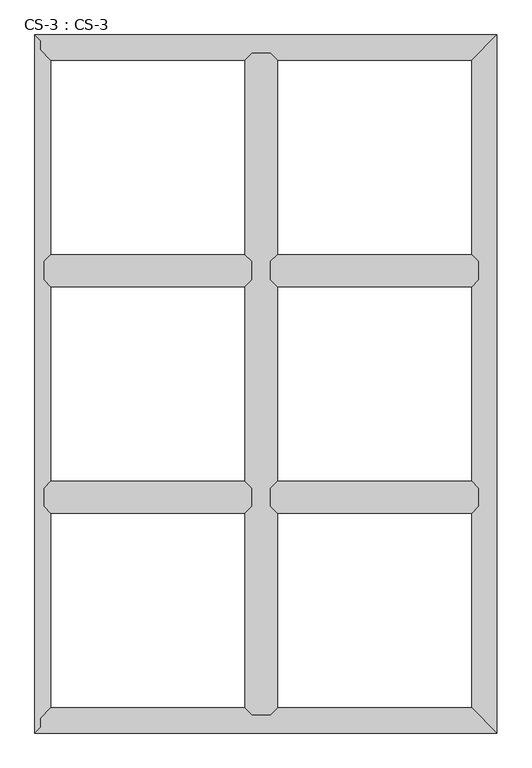
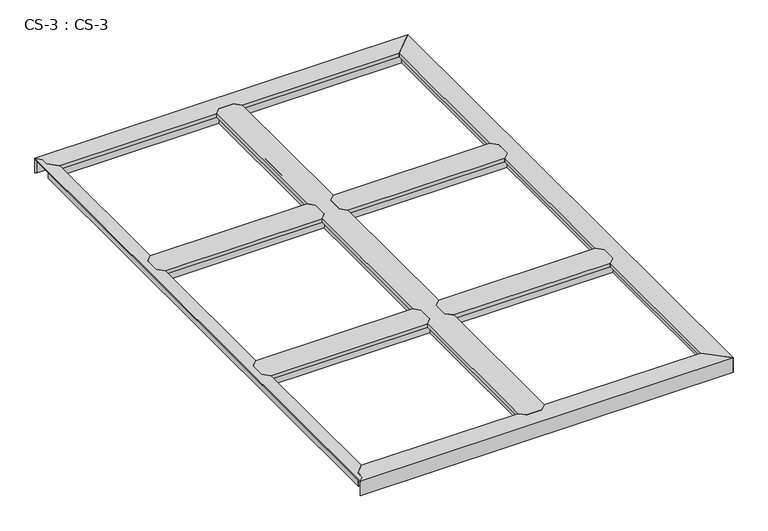
"""IFC4 building model written with IfcOpenShell, lengths in millimetres: proxy geometry, CS-3 : CS-3."""

from ifc_helpers import new_model, si_unit, origin, place, context, project, spatial, faceted_brep, source, transform, mapped, element, save


def cs_3_cs_3_9a12c263(model_context):
    return source(origin(), model_context, "Body", "Brep", [
        faceted_brep([(1592.58, 1625.6, 46.355), (1592.58, 1625.6, 0.0), (1592.58, 1632.585, 0.0), (1592.58, 1632.585, 63.5), (1592.58, 1684.655, 63.5), (1592.58, 1684.655, 0.0), (1592.58, 1691.64, 0.0), (1592.58, 1691.64, 46.355), (1592.58, 1691.64, 66.675), (1592.58, 1625.6, 66.675), (845.82, 1691.64, 46.355), (845.82, 1691.64, 0.0), (845.82, 1684.655, 0.0), (845.82, 1684.655, 63.5), (845.82, 1632.585, 63.5), (845.82, 1632.585, 0.0), (845.82, 1625.6, 0.0), (845.82, 1625.6, 46.355), (845.82, 1625.6, 66.675), (845.82, 1691.64, 66.675), (870.458, 1716.278, 66.675), (1567.942, 1716.278, 66.675), (1567.942, 1716.278, 49.8094), (870.458, 1716.278, 49.8094), (1569.466, 1714.754, 49.8094), (868.934, 1714.754, 49.8094), (1569.466, 1714.754, 64.643), (868.934, 1714.754, 64.643), (1579.753, 1704.467, 64.643), (858.647, 1704.467, 64.643), (1579.753, 1704.467, 46.355), (858.647, 1704.467, 46.355), (1579.753, 1612.773, 46.355), (858.647, 1612.773, 46.355), (1579.753, 1612.773, 64.643), (858.647, 1612.773, 64.643), (1569.466, 1602.486, 64.643), (868.934, 1602.486, 64.643), (1569.466, 1602.486, 49.8094), (868.934, 1602.486, 49.8094), (1567.942, 1600.962, 49.8094), (870.458, 1600.962, 49.8094), (1567.942, 1600.962, 66.675), (870.458, 1600.962, 66.675)], [[[0, 1, 2, 3, 4, 5, 6, 7, 8, 9]], [[10, 11, 12, 13, 14, 15, 16, 17, 18, 19]], [[20, 21, 22, 23]], [[23, 22, 24, 25]], [[25, 24, 26, 27]], [[27, 26, 28, 29]], [[29, 28, 30, 31]], [[7, 10, 31, 30]], [[7, 6, 11, 10]], [[6, 5, 12, 11]], [[5, 4, 13, 12]], [[4, 3, 14, 13]], [[3, 2, 15, 14]], [[2, 1, 16, 15]], [[1, 0, 17, 16]], [[17, 0, 32, 33]], [[33, 32, 34, 35]], [[35, 34, 36, 37]], [[37, 36, 38, 39]], [[39, 38, 40, 41]], [[41, 40, 42, 43]], [[9, 8, 21, 20, 19, 18, 43, 42]], [[10, 19, 20, 23, 25, 27, 29, 31]], [[18, 17, 33, 35, 37, 39, 41, 43]], [[0, 9, 42, 40, 38, 36, 34, 32]], [[8, 7, 30, 28, 26, 24, 22, 21]]]),
        faceted_brep([(1592.58, 812.8, 46.355), (1592.58, 812.8, 0.0), (1592.58, 819.785, 0.0), (1592.58, 819.785, 63.5), (1592.58, 871.855, 63.5), (1592.58, 871.855, 0.0), (1592.58, 878.84, 0.0), (1592.58, 878.84, 46.355), (1592.58, 878.84, 66.675), (1592.58, 812.8, 66.675), (845.82, 878.84, 46.355), (845.82, 878.84, 0.0), (845.82, 871.855, 0.0), (845.82, 871.855, 63.5), (845.82, 819.785, 63.5), (845.82, 819.785, 0.0), (845.82, 812.8, 0.0), (845.82, 812.8, 46.355), (845.82, 812.8, 66.675), (845.82, 878.84, 66.675), (870.458, 903.478, 66.675), (1567.942, 903.478, 66.675), (1567.942, 903.478, 49.8094), (870.458, 903.478, 49.8094), (1569.466, 901.954, 49.8094), (868.934, 901.954, 49.8094), (1569.466, 901.954, 64.643), (868.934, 901.954, 64.643), (1579.753, 891.667, 64.643), (858.647, 891.667, 64.643), (1579.753, 891.667, 46.355), (858.647, 891.667, 46.355), (1579.753, 799.973, 46.355), (858.647, 799.973, 46.355), (1579.753, 799.973, 64.643), (858.647, 799.973, 64.643), (1569.466, 789.686, 64.643), (868.934, 789.686, 64.643), (1569.466, 789.686, 49.8094), (868.934, 789.686, 49.8094), (1567.942, 788.162, 49.8094), (870.458, 788.162, 49.8094), (1567.942, 788.162, 66.675), (870.458, 788.162, 66.675)], [[[0, 1, 2, 3, 4, 5, 6, 7, 8, 9]], [[10, 11, 12, 13, 14, 15, 16, 17, 18, 19]], [[20, 21, 22, 23]], [[23, 22, 24, 25]], [[25, 24, 26, 27]], [[27, 26, 28, 29]], [[29, 28, 30, 31]], [[7, 10, 31, 30]], [[7, 6, 11, 10]], [[6, 5, 12, 11]], [[5, 4, 13, 12]], [[4, 3, 14, 13]], [[3, 2, 15, 14]], [[2, 1, 16, 15]], [[1, 0, 17, 16]], [[17, 0, 32, 33]], [[33, 32, 34, 35]], [[35, 34, 36, 37]], [[37, 36, 38, 39]], [[39, 38, 40, 41]], [[41, 40, 42, 43]], [[9, 8, 21, 20, 19, 18, 43, 42]], [[10, 19, 20, 23, 25, 27, 29, 31]], [[18, 17, 33, 35, 37, 39, 41, 43]], [[0, 9, 42, 40, 38, 36, 34, 32]], [[8, 7, 30, 28, 26, 24, 22, 21]]]),
        faceted_brep([(845.82, 2438.4, 46.355), (845.82, 2438.4, 0.0), (838.835, 2438.4, 0.0), (838.835, 2438.4, 63.5), (786.765, 2438.4, 63.5), (786.765, 2438.4, 0.0), (779.78, 2438.4, 0.0), (779.78, 2438.4, 46.355), (779.78, 2438.4, 66.675), (845.82, 2438.4, 66.675), (779.78, 66.04, 46.355), (779.78, 66.04, 0.0), (786.765, 66.04, 0.0), (786.765, 66.04, 63.5), (838.835, 66.04, 63.5), (838.835, 66.04, 0.0), (845.82, 66.04, 0.0), (845.82, 66.04, 46.355), (845.82, 66.04, 66.675), (779.78, 66.04, 66.675), (755.142, 90.678, 49.8094), (755.142, 90.678, 66.675), (755.142, 788.162, 66.675), (755.142, 788.162, 49.8094), (755.142, 2413.762, 66.675), (755.142, 2413.762, 49.8094), (755.142, 1716.278, 49.8094), (755.142, 1716.278, 66.675), (755.142, 903.478, 49.8094), (755.142, 903.478, 66.675), (755.142, 1600.962, 66.675), (755.142, 1600.962, 49.8094), (756.666, 89.154, 49.8094), (756.666, 789.686, 49.8094), (756.666, 2415.286, 49.8094), (756.666, 1714.754, 49.8094), (756.666, 901.954, 49.8094), (756.666, 1602.486, 49.8094), (756.666, 89.154, 64.643), (756.666, 789.686, 64.643), (756.666, 2415.286, 64.643), (756.666, 1714.754, 64.643), (756.666, 901.954, 64.643), (756.666, 1602.486, 64.643), (766.953, 78.867, 64.643), (766.953, 799.973, 64.643), (766.953, 2425.573, 64.643), (766.953, 1704.467, 64.643), (766.953, 891.667, 64.643), (766.953, 1612.773, 64.643), (766.953, 78.867, 46.355), (766.953, 799.973, 46.355), (766.953, 2425.573, 46.355), (766.953, 1704.467, 46.355), (766.953, 891.667, 46.355), (766.953, 1612.773, 46.355), (779.78, 812.8, 46.355), (779.78, 1691.64, 46.355), (779.78, 878.84, 46.355), (779.78, 1625.6, 46.355), (779.78, 812.8, 66.675), (779.78, 878.84, 66.675), (779.78, 1625.6, 66.675), (779.78, 1691.64, 66.675), (845.82, 1691.64, 46.355), (845.82, 1691.64, 66.675), (845.82, 1625.6, 66.675), (845.82, 1625.6, 46.355), (845.82, 878.84, 46.355), (845.82, 878.84, 66.675), (845.82, 812.8, 66.675), (845.82, 812.8, 46.355), (858.647, 78.867, 46.355), (858.647, 799.973, 46.355), (858.647, 2425.573, 46.355), (858.647, 1704.467, 46.355), (858.647, 891.667, 46.355), (858.647, 1612.773, 46.355), (858.647, 78.867, 64.643), (858.647, 799.973, 64.643), (858.647, 2425.573, 64.643), (858.647, 1704.467, 64.643), (858.647, 891.667, 64.643), (858.647, 1612.773, 64.643), (868.934, 89.154, 64.643), (868.934, 789.686, 64.643), (868.934, 2415.286, 64.643), (868.934, 1714.754, 64.643), (868.934, 901.954, 64.643), (868.934, 1602.486, 64.643), (868.934, 89.154, 49.8094), (868.934, 789.686, 49.8094), (868.934, 2415.286, 49.8094), (868.934, 1714.754, 49.8094), (868.934, 901.954, 49.8094), (868.934, 1602.486, 49.8094), (870.458, 90.678, 49.8094), (870.458, 788.162, 49.8094), (870.458, 2413.762, 49.8094), (870.458, 1716.278, 49.8094), (870.458, 903.478, 49.8094), (870.458, 1600.962, 49.8094), (870.458, 90.678, 66.675), (870.458, 788.162, 66.675), (870.458, 2413.762, 66.675), (870.458, 1716.278, 66.675), (870.458, 903.478, 66.675), (870.458, 1600.962, 66.675)], [[[0, 1, 2, 3, 4, 5, 6, 7, 8, 9]], [[10, 11, 12, 13, 14, 15, 16, 17, 18, 19]], [[20, 21, 22, 23]], [[24, 25, 26, 27]], [[28, 29, 30, 31]], [[32, 20, 23, 33]], [[25, 34, 35, 26]], [[36, 28, 31, 37]], [[38, 32, 33, 39]], [[34, 40, 41, 35]], [[42, 36, 37, 43]], [[44, 38, 39, 45]], [[40, 46, 47, 41]], [[48, 42, 43, 49]], [[50, 44, 45, 51]], [[46, 52, 53, 47]], [[54, 48, 49, 55]], [[10, 50, 51, 56]], [[52, 7, 57, 53]], [[58, 54, 55, 59]], [[7, 6, 11, 10, 56, 60, 61, 58, 59, 62, 63, 57]], [[6, 5, 12, 11]], [[5, 4, 13, 12]], [[4, 3, 14, 13]], [[3, 2, 15, 14]], [[2, 1, 16, 15]], [[1, 0, 64, 65, 66, 67, 68, 69, 70, 71, 17, 16]], [[72, 17, 71, 73]], [[0, 74, 75, 64]], [[76, 68, 67, 77]], [[78, 72, 73, 79]], [[74, 80, 81, 75]], [[82, 76, 77, 83]], [[84, 78, 79, 85]], [[80, 86, 87, 81]], [[88, 82, 83, 89]], [[90, 84, 85, 91]], [[86, 92, 93, 87]], [[94, 88, 89, 95]], [[96, 90, 91, 97]], [[92, 98, 99, 93]], [[100, 94, 95, 101]], [[102, 96, 97, 103]], [[98, 104, 105, 99]], [[106, 100, 101, 107]], [[9, 8, 24, 27, 63, 62, 30, 29, 61, 60, 22, 21, 19, 18, 102, 103, 70, 69, 106, 107, 66, 65, 105, 104]], [[10, 19, 21, 20, 32, 38, 44, 50]], [[18, 17, 72, 78, 84, 90, 96, 102]], [[0, 9, 104, 98, 92, 86, 80, 74]], [[8, 7, 52, 46, 40, 34, 25, 24]], [[60, 56, 51, 45, 39, 33, 23, 22]], [[58, 61, 29, 28, 36, 42, 48, 54]], [[62, 59, 55, 49, 43, 37, 31, 30]], [[57, 63, 27, 26, 35, 41, 47, 53]], [[69, 68, 76, 82, 88, 94, 100, 106]], [[71, 70, 103, 97, 91, 85, 79, 73]], [[65, 64, 75, 81, 87, 93, 99, 105]], [[67, 66, 107, 101, 95, 89, 83, 77]]]),
        faceted_brep([(779.78, 812.8, 46.355), (779.78, 812.8, 0.0), (779.78, 819.785, 0.0), (779.78, 819.785, 63.5), (779.78, 871.855, 63.5), (779.78, 871.855, 0.0), (779.78, 878.84, 0.0), (779.78, 878.84, 46.355), (779.78, 878.84, 66.675), (779.78, 812.8, 66.675), (33.02, 878.84, 46.355), (33.02, 878.84, 0.0), (33.02, 871.855, 0.0), (33.02, 871.855, 63.5), (33.02, 819.785, 63.5), (33.02, 819.785, 0.0), (33.02, 812.8, 0.0), (33.02, 812.8, 46.355), (33.02, 812.8, 66.675), (33.02, 878.84, 66.675), (57.658, 903.478, 66.675), (755.142, 903.478, 66.675), (755.142, 903.478, 49.8094), (57.658, 903.478, 49.8094), (756.666, 901.954, 49.8094), (56.134, 901.954, 49.8094), (756.666, 901.954, 64.643), (56.134, 901.954, 64.643), (766.953, 891.667, 64.643), (45.847, 891.667, 64.643), (766.953, 891.667, 46.355), (45.847, 891.667, 46.355), (766.953, 799.973, 46.355), (45.847, 799.973, 46.355), (766.953, 799.973, 64.643), (45.847, 799.973, 64.643), (756.666, 789.686, 64.643), (56.134, 789.686, 64.643), (756.666, 789.686, 49.8094), (56.134, 789.686, 49.8094), (755.142, 788.162, 49.8094), (57.658, 788.162, 49.8094), (755.142, 788.162, 66.675), (57.658, 788.162, 66.675)], [[[0, 1, 2, 3, 4, 5, 6, 7, 8, 9]], [[10, 11, 12, 13, 14, 15, 16, 17, 18, 19]], [[20, 21, 22, 23]], [[23, 22, 24, 25]], [[25, 24, 26, 27]], [[27, 26, 28, 29]], [[29, 28, 30, 31]], [[7, 10, 31, 30]], [[7, 6, 11, 10]], [[6, 5, 12, 11]], [[5, 4, 13, 12]], [[4, 3, 14, 13]], [[3, 2, 15, 14]], [[2, 1, 16, 15]], [[1, 0, 17, 16]], [[17, 0, 32, 33]], [[33, 32, 34, 35]], [[35, 34, 36, 37]], [[37, 36, 38, 39]], [[39, 38, 40, 41]], [[41, 40, 42, 43]], [[9, 8, 21, 20, 19, 18, 43, 42]], [[10, 19, 20, 23, 25, 27, 29, 31]], [[18, 17, 33, 35, 37, 39, 41, 43]], [[0, 9, 42, 40, 38, 36, 34, 32]], [[8, 7, 30, 28, 26, 24, 22, 21]]]),
        faceted_brep([(779.78, 1625.6, 46.355), (779.78, 1625.6, 0.0), (779.78, 1632.585, 0.0), (779.78, 1632.585, 63.5), (779.78, 1684.655, 63.5), (779.78, 1684.655, 0.0), (779.78, 1691.64, 0.0), (779.78, 1691.64, 46.355), (779.78, 1691.64, 66.675), (779.78, 1625.6, 66.675), (33.02, 1691.64, 46.355), (33.02, 1691.64, 0.0), (33.02, 1684.655, 0.0), (33.02, 1684.655, 63.5), (33.02, 1632.585, 63.5), (33.02, 1632.585, 0.0), (33.02, 1625.6, 0.0), (33.02, 1625.6, 46.355), (33.02, 1625.6, 66.675), (33.02, 1691.64, 66.675), (57.658, 1716.278, 66.675), (755.142, 1716.278, 66.675), (755.142, 1716.278, 49.8094), (57.658, 1716.278, 49.8094), (756.666, 1714.754, 49.8094), (56.134, 1714.754, 49.8094), (756.666, 1714.754, 64.643), (56.134, 1714.754, 64.643), (766.953, 1704.467, 64.643), (45.847, 1704.467, 64.643), (766.953, 1704.467, 46.355), (45.847, 1704.467, 46.355), (766.953, 1612.773, 46.355), (45.847, 1612.773, 46.355), (766.953, 1612.773, 64.643), (45.847, 1612.773, 64.643), (756.666, 1602.486, 64.643), (56.134, 1602.486, 64.643), (756.666, 1602.486, 49.8094), (56.134, 1602.486, 49.8094), (755.142, 1600.962, 49.8094), (57.658, 1600.962, 49.8094), (755.142, 1600.962, 66.675), (57.658, 1600.962, 66.675)], [[[0, 1, 2, 3, 4, 5, 6, 7, 8, 9]], [[10, 11, 12, 13, 14, 15, 16, 17, 18, 19]], [[20, 21, 22, 23]], [[23, 22, 24, 25]], [[25, 24, 26, 27]], [[27, 26, 28, 29]], [[29, 28, 30, 31]], [[7, 10, 31, 30]], [[7, 6, 11, 10]], [[6, 5, 12, 11]], [[5, 4, 13, 12]], [[4, 3, 14, 13]], [[3, 2, 15, 14]], [[2, 1, 16, 15]], [[1, 0, 17, 16]], [[17, 0, 32, 33]], [[33, 32, 34, 35]], [[35, 34, 36, 37]], [[37, 36, 38, 39]], [[39, 38, 40, 41]], [[41, 40, 42, 43]], [[9, 8, 21, 20, 19, 18, 43, 42]], [[10, 19, 20, 23, 25, 27, 29, 31]], [[18, 17, 33, 35, 37, 39, 41, 43]], [[0, 9, 42, 40, 38, 36, 34, 32]], [[8, 7, 30, 28, 26, 24, 22, 21]]]),
        faceted_brep([(1658.62, 0.0, 0.0), (0.0, 0.0, 0.0), (6.985, 6.985, 0.0), (1651.635, 6.985, 0.0), (1651.635, 6.985, 63.5), (6.985, 6.985, 63.5), (1599.565, 59.055, 63.5), (21.59, 21.59, 63.5), (21.59, 53.34, 63.5), (27.1106122, 59.055, 63.5), (1599.565, 59.055, 0.0), (27.1106122, 59.055, 0.0), (33.8580272, 66.04, 0.0), (1592.58, 66.04, 0.0), (1592.58, 66.04, 46.355), (33.8580272, 66.04, 46.355), (779.78, 66.04, 46.355), (779.78, 66.04, 66.675), (845.82, 66.04, 66.675), (845.82, 66.04, 46.355), (1579.753, 78.867, 46.355), (858.647, 78.867, 46.355), (46.2487347, 78.867, 46.355), (766.953, 78.867, 46.355), (1579.753, 78.867, 63.5), (858.647, 78.867, 63.5), (46.2487347, 78.867, 63.5), (766.953, 78.867, 63.5), (1569.466, 89.154, 63.5), (868.934, 89.154, 63.5), (56.1858367, 89.154, 63.5), (756.666, 89.154, 63.5), (1569.466, 89.154, 49.8094), (868.934, 89.154, 49.8094), (56.1858367, 89.154, 49.8094), (756.666, 89.154, 49.8094), (1567.942, 90.678, 49.8094), (870.458, 90.678, 49.8094), (57.658, 90.678, 49.8094), (755.142, 90.678, 49.8094), (1567.942, 90.678, 66.675), (870.458, 90.678, 66.675), (57.658, 90.678, 66.675), (755.142, 90.678, 66.675), (0.0, 0.0, 66.675), (1658.62, 0.0, 66.675), (21.59, 53.34, 66.675), (21.59, 21.59, 66.675)], [[[0, 1, 2, 3]], [[4, 3, 2, 5]], [[6, 4, 5, 7, 8, 9]], [[10, 6, 9, 11]], [[12, 13, 10, 11]], [[14, 13, 12, 15, 16, 17, 18, 19]], [[20, 14, 19, 21]], [[15, 22, 23, 16]], [[24, 20, 21, 25]], [[22, 26, 27, 23]], [[28, 24, 25, 29]], [[26, 30, 31, 27]], [[32, 28, 29, 33]], [[30, 34, 35, 31]], [[36, 32, 33, 37]], [[34, 38, 39, 35]], [[40, 36, 37, 41]], [[38, 42, 43, 39]], [[44, 45, 40, 41, 18, 17, 43, 42, 46, 47]], [[1, 0, 45, 44]], [[0, 3, 4, 6, 10, 13, 14, 20, 24, 28, 32, 36, 40, 45]], [[7, 47, 46, 8]], [[8, 46, 42, 38, 34, 30, 26, 22, 15, 12, 11, 9]], [[47, 7, 5, 2, 1, 44]], [[17, 16, 23, 27, 31, 35, 39, 43]], [[19, 18, 41, 37, 33, 29, 25, 21]]]),
        faceted_brep([(1658.62, 2504.44, 0.0), (1658.62, 0.0, 0.0), (1651.635, 6.985, 0.0), (1651.635, 2497.455, 0.0), (1651.635, 2497.455, 63.5), (1651.635, 6.985, 63.5), (1599.565, 2445.385, 63.5), (1599.565, 59.055, 63.5), (1599.565, 2445.385, 0.0), (1599.565, 59.055, 0.0), (1592.58, 66.04, 0.0), (1592.58, 2438.4, 0.0), (1592.58, 2438.4, 46.355), (1592.58, 66.04, 46.355), (1592.58, 812.8, 46.355), (1592.58, 812.8, 66.675), (1592.58, 878.84, 66.675), (1592.58, 878.84, 46.355), (1592.58, 1625.6, 46.355), (1592.58, 1625.6, 66.675), (1592.58, 1691.64, 66.675), (1592.58, 1691.64, 46.355), (1579.753, 2425.573, 46.355), (1579.753, 1704.467, 46.355), (1579.753, 78.867, 46.355), (1579.753, 799.973, 46.355), (1579.753, 1612.773, 46.355), (1579.753, 891.667, 46.355), (1579.753, 2425.573, 63.5), (1579.753, 1704.467, 63.5), (1579.753, 78.867, 63.5), (1579.753, 799.973, 63.5), (1579.753, 1612.773, 63.5), (1579.753, 891.667, 63.5), (1569.466, 2415.286, 63.5), (1569.466, 1714.754, 63.5), (1569.466, 89.154, 63.5), (1569.466, 789.686, 63.5), (1569.466, 1602.486, 63.5), (1569.466, 901.954, 63.5), (1569.466, 2415.286, 49.8094), (1569.466, 1714.754, 49.8094), (1569.466, 89.154, 49.8094), (1569.466, 789.686, 49.8094), (1569.466, 1602.486, 49.8094), (1569.466, 901.954, 49.8094), (1567.942, 2413.762, 49.8094), (1567.942, 1716.278, 49.8094), (1567.942, 90.678, 49.8094), (1567.942, 788.162, 49.8094), (1567.942, 1600.962, 49.8094), (1567.942, 903.478, 49.8094), (1567.942, 2413.762, 66.675), (1567.942, 1716.278, 66.675), (1567.942, 90.678, 66.675), (1567.942, 788.162, 66.675), (1567.942, 1600.962, 66.675), (1567.942, 903.478, 66.675), (1658.62, 0.0, 66.675), (1658.62, 2504.44, 66.675)], [[[0, 1, 2, 3]], [[4, 3, 2, 5]], [[6, 4, 5, 7]], [[8, 6, 7, 9]], [[10, 11, 8, 9]], [[12, 11, 10, 13, 14, 15, 16, 17, 18, 19, 20, 21]], [[22, 12, 21, 23]], [[13, 24, 25, 14]], [[26, 18, 17, 27]], [[28, 22, 23, 29]], [[24, 30, 31, 25]], [[32, 26, 27, 33]], [[34, 28, 29, 35]], [[30, 36, 37, 31]], [[38, 32, 33, 39]], [[40, 34, 35, 41]], [[36, 42, 43, 37]], [[44, 38, 39, 45]], [[46, 40, 41, 47]], [[42, 48, 49, 43]], [[50, 44, 45, 51]], [[52, 46, 47, 53]], [[48, 54, 55, 49]], [[56, 50, 51, 57]], [[58, 59, 52, 53, 20, 19, 56, 57, 16, 15, 55, 54]], [[1, 0, 59, 58]], [[0, 3, 4, 6, 8, 11, 12, 22, 28, 34, 40, 46, 52, 59]], [[2, 1, 58, 54, 48, 42, 36, 30, 24, 13, 10, 9, 7, 5]], [[19, 18, 26, 32, 38, 44, 50, 56]], [[21, 20, 53, 47, 41, 35, 29, 23]], [[15, 14, 25, 31, 37, 43, 49, 55]], [[17, 16, 57, 51, 45, 39, 33, 27]]]),
        faceted_brep([(0.0, 2504.44, 0.0), (1658.62, 2504.44, 0.0), (1651.635, 2497.455, 0.0), (6.985, 2497.455, 0.0), (6.985, 2497.455, 63.5), (1651.635, 2497.455, 63.5), (21.59, 2482.85, 63.5), (1599.565, 2445.385, 63.5), (27.1106122, 2445.385, 63.5), (21.59, 2451.1, 63.5), (27.1106122, 2445.385, 0.0), (1599.565, 2445.385, 0.0), (1592.58, 2438.4, 0.0), (33.8580272, 2438.4, 0.0), (33.8580272, 2438.4, 46.355), (1592.58, 2438.4, 46.355), (845.82, 2438.4, 46.355), (845.82, 2438.4, 66.675), (779.78, 2438.4, 66.675), (779.78, 2438.4, 46.355), (46.2487347, 2425.573, 46.355), (766.953, 2425.573, 46.355), (1579.753, 2425.573, 46.355), (858.647, 2425.573, 46.355), (46.2487347, 2425.573, 63.5), (766.953, 2425.573, 63.5), (1579.753, 2425.573, 63.5), (858.647, 2425.573, 63.5), (56.1858367, 2415.286, 63.5), (756.666, 2415.286, 63.5), (1569.466, 2415.286, 63.5), (868.934, 2415.286, 63.5), (56.1858367, 2415.286, 49.8094), (756.666, 2415.286, 49.8094), (1569.466, 2415.286, 49.8094), (868.934, 2415.286, 49.8094), (57.658, 2413.762, 49.8094), (755.142, 2413.762, 49.8094), (1567.942, 2413.762, 49.8094), (870.458, 2413.762, 49.8094), (57.658, 2413.762, 66.675), (755.142, 2413.762, 66.675), (1567.942, 2413.762, 66.675), (870.458, 2413.762, 66.675), (1658.62, 2504.44, 66.675), (0.0, 2504.44, 66.675), (21.59, 2482.85, 66.675), (21.59, 2451.1, 66.675)], [[[0, 1, 2, 3]], [[4, 3, 2, 5]], [[6, 4, 5, 7, 8, 9]], [[10, 8, 7, 11]], [[12, 13, 10, 11]], [[14, 13, 12, 15, 16, 17, 18, 19]], [[20, 14, 19, 21]], [[15, 22, 23, 16]], [[24, 20, 21, 25]], [[22, 26, 27, 23]], [[28, 24, 25, 29]], [[26, 30, 31, 27]], [[32, 28, 29, 33]], [[30, 34, 35, 31]], [[36, 32, 33, 37]], [[34, 38, 39, 35]], [[40, 36, 37, 41]], [[38, 42, 43, 39]], [[44, 45, 46, 47, 40, 41, 18, 17, 43, 42]], [[1, 0, 45, 44]], [[6, 46, 45, 0, 3, 4]], [[47, 9, 8, 10, 13, 14, 20, 24, 28, 32, 36, 40]], [[46, 6, 9, 47]], [[2, 1, 44, 42, 38, 34, 30, 26, 22, 15, 12, 11, 7, 5]], [[17, 16, 23, 27, 31, 35, 39, 43]], [[19, 18, 41, 37, 33, 29, 25, 21]]]),
        faceted_brep([(0.0, 2504.44, 66.675), (0.0, 0.0, 66.675), (21.59, 21.59, 66.675), (21.59, 53.34, 66.675), (57.658, 90.678, 66.675), (57.658, 788.162, 66.675), (33.02, 812.8, 66.675), (33.02, 878.84, 66.675), (57.658, 903.478, 66.675), (57.658, 1600.962, 66.675), (33.02, 1625.6, 66.675), (33.02, 1691.64, 66.675), (57.658, 1716.278, 66.675), (57.658, 2413.762, 66.675), (21.59, 2451.1, 66.675), (21.59, 2482.85, 66.675), (0.0, 2504.44, 63.5), (0.0, 0.0, 63.5), (21.59, 2482.85, 63.5), (21.59, 2451.1, 63.5), (26.035, 2446.4984859, 63.5), (26.035, 57.9415141, 63.5), (21.59, 53.34, 63.5), (21.59, 21.59, 63.5), (26.035, 57.9415141, 0.0), (26.035, 2446.4984859, 0.0), (33.02, 2439.2675352, 0.0), (33.02, 65.1724648, 0.0), (33.02, 65.1724648, 46.355), (33.02, 2439.2675352, 46.355), (33.02, 1691.64, 46.355), (33.02, 1625.6, 46.355), (33.02, 878.84, 46.355), (33.02, 812.8, 46.355), (45.847, 78.4511197, 46.355), (45.847, 799.973, 46.355), (45.847, 2425.9888803, 46.355), (45.847, 1704.467, 46.355), (45.847, 891.667, 46.355), (45.847, 1612.773, 46.355), (45.847, 78.4511197, 64.643), (45.847, 799.973, 64.643), (45.847, 2425.9888803, 64.643), (45.847, 1704.467, 64.643), (45.847, 891.667, 64.643), (45.847, 1612.773, 64.643), (56.134, 89.100338, 64.643), (56.134, 789.686, 64.643), (56.134, 2415.339662, 64.643), (56.134, 1714.754, 64.643), (56.134, 901.954, 64.643), (56.134, 1602.486, 64.643), (56.134, 89.100338, 49.8094), (56.134, 789.686, 49.8094), (56.134, 2415.339662, 49.8094), (56.134, 1714.754, 49.8094), (56.134, 901.954, 49.8094), (56.134, 1602.486, 49.8094), (57.658, 90.678, 49.8094), (57.658, 788.162, 49.8094), (57.658, 2413.762, 49.8094), (57.658, 1716.278, 49.8094), (57.658, 903.478, 49.8094), (57.658, 1600.962, 49.8094)], [[[0, 1, 2, 3, 4, 5, 6, 7, 8, 9, 10, 11, 12, 13, 14, 15]], [[1, 0, 16, 17]], [[17, 16, 18, 19, 20, 21, 22, 23]], [[24, 21, 20, 25]], [[26, 27, 24, 25]], [[28, 27, 26, 29, 30, 11, 10, 31, 32, 7, 6, 33]], [[34, 28, 33, 35]], [[29, 36, 37, 30]], [[38, 32, 31, 39]], [[40, 34, 35, 41]], [[36, 42, 43, 37]], [[44, 38, 39, 45]], [[46, 40, 41, 47]], [[42, 48, 49, 43]], [[50, 44, 45, 51]], [[52, 46, 47, 53]], [[48, 54, 55, 49]], [[56, 50, 51, 57]], [[58, 52, 53, 59]], [[54, 60, 61, 55]], [[62, 56, 57, 63]], [[4, 58, 59, 5]], [[60, 13, 12, 61]], [[8, 62, 63, 9]], [[23, 2, 1, 17]], [[3, 22, 21, 24, 27, 28, 34, 40, 46, 52, 58, 4]], [[2, 23, 22, 3]], [[18, 15, 14, 19]], [[19, 14, 13, 60, 54, 48, 42, 36, 29, 26, 25, 20]], [[15, 18, 16, 0]], [[7, 32, 38, 44, 50, 56, 62, 8]], [[33, 6, 5, 59, 53, 47, 41, 35]], [[11, 30, 37, 43, 49, 55, 61, 12]], [[31, 10, 9, 63, 57, 51, 45, 39]]]),
    ])


if __name__ == "__main__":
    model = new_model("IFC4")
    model_context = context("Model", 3, world=origin())
    ifc_project = project(units=[si_unit("LENGTHUNIT", "METRE", prefix="MILLI")], contexts=[model_context])
    site = spatial("IfcSite", under=ifc_project)
    building = spatial("IfcBuilding", under=site)
    placement = place(None, origin())
    cs_3_cs_3_shape = cs_3_cs_3_9a12c263(model_context)
    element("IfcBuildingElementProxy", 1, Name="CS-3 : CS-3", ObjectType="CS-3 : CS-3", at=placement, inside=building, context=model_context, shape_type="MappedRepresentation", body=[
        mapped(cs_3_cs_3_shape, transform((0.0, 0.0, 0.0), x_axis=(1.0, 0.0, 0.0), y_axis=(0.0, 1.0, 0.0), z_axis=(0.0, 0.0, 1.0))),
    ])
    save(model, "model.ifc")
